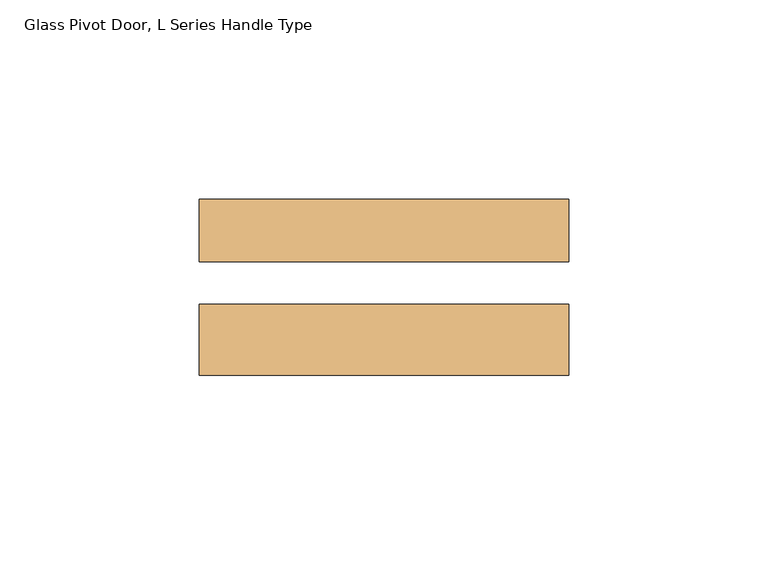
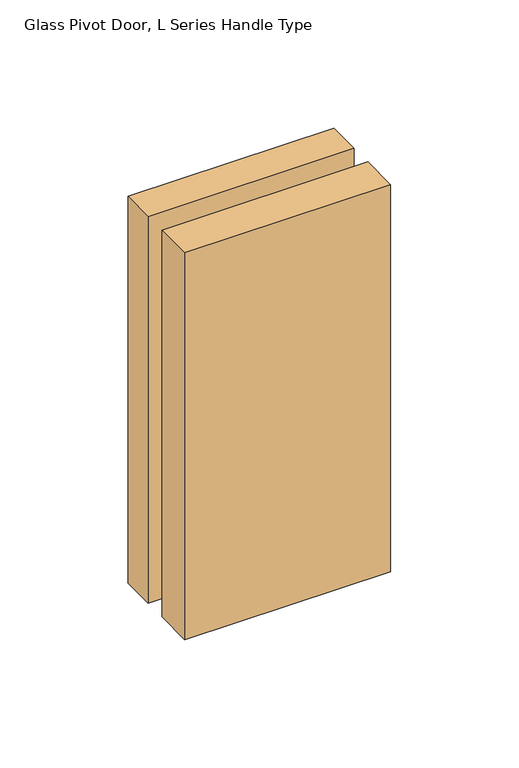
"""IFC4 building model written with IfcOpenShell, lengths in millimetres: door geometry, Glass Pivot Door, L Series Handle Type."""

import ifcopenshell
import ifcopenshell.guid

model = None  # the IFC model being written
_history = None  # IfcOwnerHistory: only IFC2X3 demands one
_inside = {}  # id of a spatial element -> (the spatial element, [elements in it])
_under = {}  # id of a project, library or spatial element -> (it, [spatial elements below it])
_declared = {}  # id of a project -> (the project, [libraries it declares])
_typed = {}  # id of a type object -> (the type object, [elements of that type])
_made_of = {}  # id of a material, layer set ... -> (it, [elements and type objects made of it])


def new_model(schema):
    """Start an empty IFC model of exactly this schema.

    Asked for "IFC4X3", IfcOpenShell would pick the latest addendum, in which some entities
    have other attributes; the version numbers below select the first issue.
    IFC2X3 requires an IfcOwnerHistory on every rooted entity: one is made here for all.
    """
    global model, _history
    if schema == "IFC4X3":
        model = ifcopenshell.file(schema_version=(4, 3, 0, 0))
    else:
        model = ifcopenshell.file(schema=schema)
    _inside.clear()
    _under.clear()
    _declared.clear()
    _typed.clear()
    _made_of.clear()
    _history = None
    if model.schema == "IFC2X3":
        org = make("IfcOrganization", Name="unknown")
        user = make(
            "IfcPersonAndOrganization",
            ThePerson=make("IfcPerson", FamilyName="unknown"),
            TheOrganization=org,
        )
        app = make(
            "IfcApplication",
            ApplicationDeveloper=org,
            Version="unknown",
            ApplicationFullName="unknown",
            ApplicationIdentifier="unknown",
        )
        _history = make(
            "IfcOwnerHistory",
            OwningUser=user,
            OwningApplication=app,
            ChangeAction="ADDED",
            CreationDate=0,
        )
    return model


def make(cls, **values):
    """One entity of the class cls with the attributes given. An attribute that is None is left unset."""
    return model.create_entity(
        cls, **{name: value for name, value in values.items() if value is not None}
    )


def rooted(cls, **values):
    """An entity with a GlobalId (a new one), such as an element, a storey or a relation."""
    return make(cls, GlobalId=ifcopenshell.guid.new(), OwnerHistory=_history, **values)


def si_unit(unit_type, name, prefix=None):
    """IfcSIUnit, for example si_unit("LENGTHUNIT", "METRE", prefix="MILLI")."""
    return make("IfcSIUnit", UnitType=unit_type, Prefix=prefix, Name=name)


def assignment(units):
    """IfcUnitAssignment: the units of a project."""
    return None if units is None else make("IfcUnitAssignment", Units=units)


def point(xyz):
    """IfcCartesianPoint."""
    return None if xyz is None else make("IfcCartesianPoint", Coordinates=xyz)


def direction(xyz):
    """IfcDirection."""
    return None if xyz is None else make("IfcDirection", DirectionRatios=xyz)


def frame(location, z_axis=None, x_axis=None):
    """IfcAxis2Placement3D, a coordinate frame: its origin and axes. An axis left out is left unset."""
    return make(
        "IfcAxis2Placement3D",
        Location=point(location),
        Axis=direction(z_axis),
        RefDirection=direction(x_axis),
    )


def origin():
    """The frame at (0, 0, 0) with its axes left unset."""
    return frame((0.0, 0.0, 0.0))


def place(relative_to, where):
    """IfcLocalPlacement: puts the frame where relative to a parent placement (None: the world)."""
    return make(
        "IfcLocalPlacement", PlacementRelTo=relative_to, RelativePlacement=where
    )


def context(
    kind, dimensions, precision=None, world=None, true_north=None, identifier=None
):
    """IfcGeometricRepresentationContext, for example the 3D "Model" context."""
    return make(
        "IfcGeometricRepresentationContext",
        ContextIdentifier=identifier,
        ContextType=kind,
        CoordinateSpaceDimension=dimensions,
        Precision=precision,
        WorldCoordinateSystem=world,
        TrueNorth=true_north,
    )


def project(units=None, contexts=None):
    """IfcProject with its units and contexts."""
    return rooted(
        "IfcProject",
        Name="project",
        RepresentationContexts=contexts,
        UnitsInContext=assignment(units),
    )


def spatial(cls, under=None, at=None, **own):
    """A site, building, storey or space (cls), placed at a placement, below another one or the project."""
    s = rooted(cls, ObjectPlacement=at, **own)
    if under is not None:
        _under.setdefault(under.id(), (under, []))[1].append(s)
    return s


def polyline(points):
    """IfcPolyline through the points."""
    return make("IfcPolyline", Points=[point(p) for p in points])


def outline(outer, holes=None, kind="AREA"):
    """IfcArbitraryClosedProfileDef: a profile drawn as a closed curve; with holes, ...WithVoids."""
    if holes is None:
        return make("IfcArbitraryClosedProfileDef", ProfileType=kind, OuterCurve=outer)
    return make(
        "IfcArbitraryProfileDefWithVoids",
        ProfileType=kind,
        OuterCurve=outer,
        InnerCurves=holes,
    )


def extrude(swept, where, along, depth):
    """IfcExtrudedAreaSolid: the profile swept, set in the frame where, extruded along a direction by depth."""
    return make(
        "IfcExtrudedAreaSolid",
        SweptArea=swept,
        Position=where,
        ExtrudedDirection=direction(along),
        Depth=depth,
    )


def shape(context_of_items, identifier, shape_type, items):
    """IfcShapeRepresentation: the items that make up one representation, for example the "Body"."""
    return make(
        "IfcShapeRepresentation",
        ContextOfItems=context_of_items,
        RepresentationIdentifier=identifier,
        RepresentationType=shape_type,
        Items=items,
    )


def source(mapping_origin, context_of_items, identifier, shape_type, items):
    """IfcRepresentationMap: a shape defined once, which mapped items show again and again."""
    return make(
        "IfcRepresentationMap",
        MappingOrigin=mapping_origin,
        MappedRepresentation=shape(context_of_items, identifier, shape_type, items),
    )


def transform(
    local_origin,
    x_axis=None,
    y_axis=None,
    z_axis=None,
    scale=None,
    scale2=None,
    scale3=None,
    uniform=True,
):
    """IfcCartesianTransformationOperator3D, or its non-uniform kind. x_axis, y_axis, z_axis: its Axis1, 2, 3."""
    if uniform:
        return make(
            "IfcCartesianTransformationOperator3D",
            Axis1=direction(x_axis),
            Axis2=direction(y_axis),
            LocalOrigin=point(local_origin),
            Scale=scale,
            Axis3=direction(z_axis),
        )
    return make(
        "IfcCartesianTransformationOperator3DnonUniform",
        Axis1=direction(x_axis),
        Axis2=direction(y_axis),
        LocalOrigin=point(local_origin),
        Scale=scale,
        Axis3=direction(z_axis),
        Scale2=scale2,
        Scale3=scale3,
    )


def mapped(mapping_source, mapping_target):
    """IfcMappedItem: shows the shape of a source again, moved by a transform."""
    return make(
        "IfcMappedItem", MappingSource=mapping_source, MappingTarget=mapping_target
    )


def made_of(thing, what):
    """Note that an element or type object is made of a material, layer set ...; save() writes the relation."""
    if what is not None:
        _made_of.setdefault(what.id(), (what, []))[1].append(thing)
    return thing


def element(
    cls,
    number,
    at=None,
    inside=None,
    cuts=None,
    type_object=None,
    material=None,
    context=None,
    identifier="Body",
    shape_type=None,
    held_by="IfcProductDefinitionShape",
    body=None,
    shapes=None,
    **own,
):
    """One element of the class cls, such as IfcWall. Its Tag is "e" and its number.

    at: its placement. inside: the storey or other place that contains it. cuts: it is an
    opening in that element (IfcRelVoidsElement). A single representation is given by context,
    identifier, shape_type and body (its items); several are given by shapes. held_by: the class
    of the entity that holds the representations. save() writes the other relations.
    """
    e = rooted(cls, Tag="e%d" % number, ObjectPlacement=at, **own)
    if body is not None:
        shapes = [shape(context, identifier, shape_type, body)]
    if shapes is not None:
        e.Representation = make(held_by, Representations=shapes)
    if inside is not None:
        _inside.setdefault(inside.id(), (inside, []))[1].append(e)
    if cuts is not None:
        rooted(
            "IfcRelVoidsElement", RelatingBuildingElement=cuts, RelatedOpeningElement=e
        )
    if type_object is not None:
        _typed.setdefault(type_object.id(), (type_object, []))[1].append(e)
    return made_of(e, material)


def aggregate(whole, parts):
    """IfcRelAggregates: a whole, such as a stair, and the parts it consists of."""
    return rooted("IfcRelAggregates", RelatingObject=whole, RelatedObjects=parts)


def save(model, path):
    """Write the relations noted so far, then the file.

    IfcRelAggregates (storeys below a building ...), IfcRelContainedInSpatialStructure (elements
    in a storey), IfcRelDefinesByType, IfcRelAssociatesMaterial and IfcRelDeclares: one each for
    every whole, place, type object, material and project.
    """
    for whole, parts in _under.values():
        aggregate(whole, parts)
    for where, things in _inside.values():
        rooted(
            "IfcRelContainedInSpatialStructure",
            RelatedElements=things,
            RelatingStructure=where,
        )
    for kind, things in _typed.values():
        rooted("IfcRelDefinesByType", RelatedObjects=things, RelatingType=kind)
    for what, things in _made_of.values():
        rooted("IfcRelAssociatesMaterial", RelatedObjects=things, RelatingMaterial=what)
    for by, libraries in _declared.values():
        rooted("IfcRelDeclares", RelatingContext=by, RelatedDefinitions=libraries)
    model.write(path)


def glass_pivot_door_l_series_handle_type_91101db4(model_context):
    return source(origin(), model_context, "Body", "SweptSolid", [
        extrude(outline(polyline([(-462.28, -31.4313545), (-369.57, -31.4313545), (-369.57, -49.2748545), (-462.28, -49.2748545), (-462.28, -31.4313545)])), frame((0.0, 0.0, 906.5514), z_axis=(0.0, 0.0, 1.0), x_axis=(1.0, 0.0, 0.0)), (0.0, 0.0, 1.0), 184.15),
        extrude(outline(polyline([(-462.28, -5.1042545), (-369.57, -5.1042545), (-369.57, -20.8268545), (-462.28, -20.8268545), (-462.28, -5.1042545)])), frame((0.0, 0.0, 906.5514), z_axis=(0.0, 0.0, 1.0), x_axis=(1.0, 0.0, 0.0)), (0.0, 0.0, 1.0), 184.15),
    ])


if __name__ == "__main__":
    model = new_model("IFC4")
    model_context = context("Model", 3, world=origin())
    ifc_project = project(units=[si_unit("LENGTHUNIT", "METRE", prefix="MILLI")], contexts=[model_context])
    site = spatial("IfcSite", under=ifc_project)
    building = spatial("IfcBuilding", under=site)
    placement = place(None, origin())
    glass_pivot_door_l_series_handle_type_shape = glass_pivot_door_l_series_handle_type_91101db4(model_context)
    element("IfcDoor", 1, ObjectType="Glass Pivot Door, L Series Handle Type", at=placement, inside=building, context=model_context, shape_type="MappedRepresentation", body=[
        mapped(glass_pivot_door_l_series_handle_type_shape, transform((0.0, 0.0, 0.0), x_axis=(1.0, 0.0, 0.0), y_axis=(0.0, 1.0, 0.0), z_axis=(0.0, 0.0, 1.0))),
    ])
    save(model, "model.ifc")
